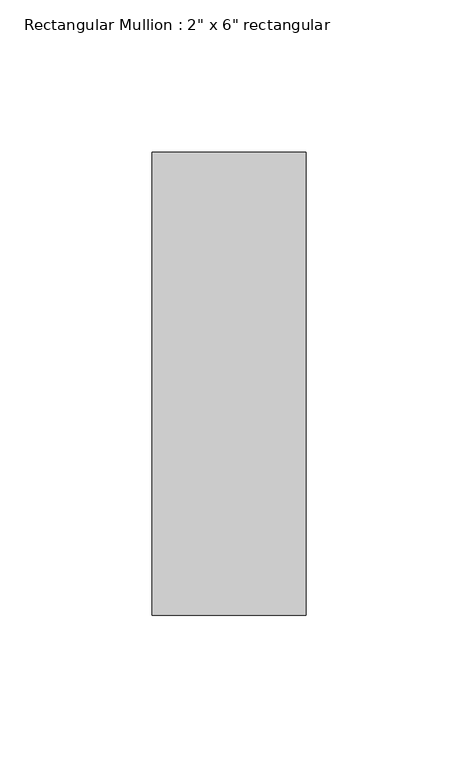
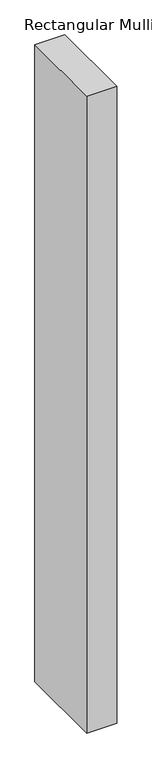
"""IFC4 building model written with IfcOpenShell, lengths in millimetres: member geometry."""

from ifc_helpers import new_model, si_unit, frame, origin, place, context, project, spatial, polyline, outline, extrude, source, transform, mapped, element, save


def member_25a8f8b5(model_context):
    return source(origin(), model_context, "Body", "SweptSolid", [
        extrude(outline(polyline([(25.4, 76.2), (25.4, -76.2), (-25.4, -76.2), (-25.4, 76.2), (25.4, 76.2)])), frame((0.0, 0.0, -1143.2385718), z_axis=(0.0, 0.0, 1.0), x_axis=(1.0, 0.0, 0.0)), (0.0, 0.0, 1.0), 1143.2385718),
    ])


if __name__ == "__main__":
    model = new_model("IFC4")
    model_context = context("Model", 3, world=origin())
    ifc_project = project(units=[si_unit("LENGTHUNIT", "METRE", prefix="MILLI")], contexts=[model_context])
    site = spatial("IfcSite", under=ifc_project)
    building = spatial("IfcBuilding", under=site)
    placement = place(None, origin())
    member_shape = member_25a8f8b5(model_context)
    element("IfcMember", 1, ObjectType="Rectangular Mullion : 2\" x 6\" rectangular", at=placement, inside=building, context=model_context, shape_type="MappedRepresentation", body=[
        mapped(member_shape, transform((0.0, 0.0, 0.0), x_axis=(1.0, 0.0, 0.0), y_axis=(0.0, 1.0, 0.0), z_axis=(0.0, 0.0, 1.0))),
    ])
    save(model, "model.ifc")
